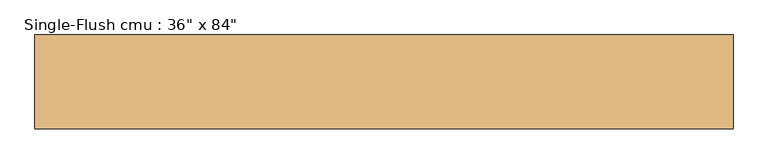
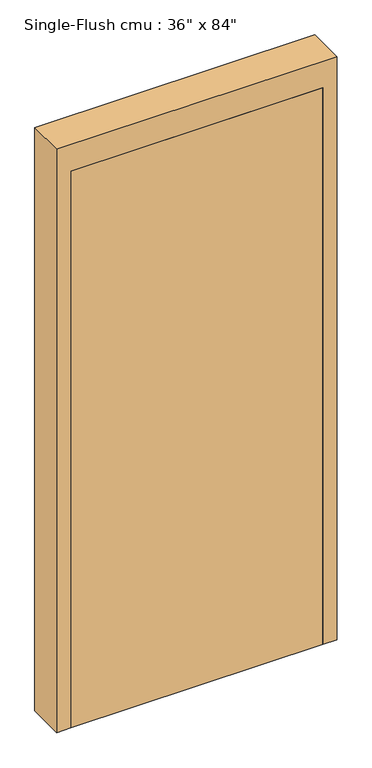
"""IFC4 building model written with IfcOpenShell, lengths in millimetres: door geometry."""

from ifc_helpers import new_model, si_unit, frame, origin, origin_with_axes, place, context, project, spatial, polyline, outline, extrude, source, transform, mapped, element, save


def door_fccd5b53(model_context):
    return source(origin(), model_context, "Body", "SweptSolid", [
        extrude(outline(polyline([(2235.2, 508.0), (2235.2, -508.0), (0.0, -508.0), (0.0, -457.2), (2133.6, -457.2), (2133.6, 457.2), (0.0, 457.2), (0.0, 508.0), (2235.2, 508.0)])), frame((0.0, -68.2625, 0.0), z_axis=(0.0, 1.0, 0.0), x_axis=(0.0, 0.0, 1.0)), (0.0, 0.0, 1.0), 136.525),
        extrude(outline(polyline([(457.2, -17.4625), (457.2, -68.2625), (-457.2, -68.2625), (-457.2, -17.4625), (457.2, -17.4625)])), origin_with_axes(), (0.0, 0.0, 1.0), 2133.6),
    ])


if __name__ == "__main__":
    model = new_model("IFC4")
    model_context = context("Model", 3, world=origin())
    ifc_project = project(units=[si_unit("LENGTHUNIT", "METRE", prefix="MILLI")], contexts=[model_context])
    site = spatial("IfcSite", under=ifc_project)
    building = spatial("IfcBuilding", under=site)
    placement = place(None, origin())
    door_shape = door_fccd5b53(model_context)
    element("IfcDoor", 1, ObjectType="Single-Flush cmu : 36\" x 84\"", at=placement, inside=building, context=model_context, shape_type="MappedRepresentation", body=[
        mapped(door_shape, transform((0.0, 0.0, 0.0), x_axis=(1.0, 0.0, 0.0), y_axis=(0.0, 1.0, 0.0), z_axis=(0.0, 0.0, 1.0))),
    ])
    save(model, "model.ifc")
